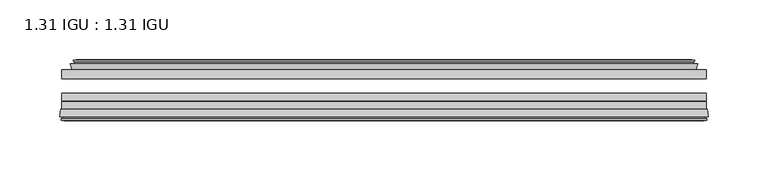
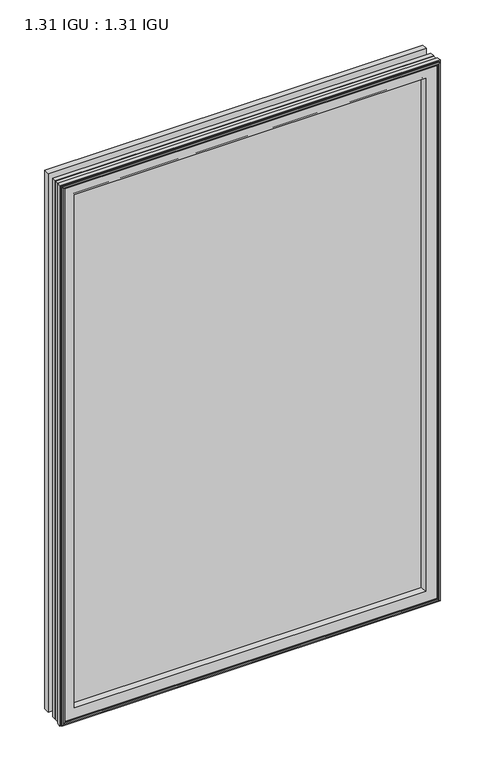
"""IFC4 building model written with IfcOpenShell, lengths in millimetres: plate geometry, 1.31 IGU : 1.31 IGU."""

from ifc_helpers import new_model, si_unit, frame, origin, place, context, project, spatial, polyline, ellipse_curve, outline, extrude, faceted_brep, source, transform, mapped, element, save
from ifc_brep_helpers import plane_surface, revolved_surface, advanced_brep


def plate_1_31_igu_1_31_igu_a89a6c54(model_context):
    return source(origin(), model_context, "Body", "SolidModel", [
        extrude(outline(polyline([(269.875, -17.9712937), (269.875, -25.8960937), (-269.875, -25.8960937), (-269.875, -17.9712937), (269.875, -17.9712937)])), frame((0.0, 0.0, -19.05), z_axis=(0.0, 0.0, 1.0), x_axis=(1.0, 0.0, 0.0)), (0.0, 0.0, 1.0), 812.8),
        extrude(outline(polyline([(-269.875, -51.2960937), (-269.875, -44.9460937), (269.875, -44.9460937), (269.875, -51.2960937), (-269.875, -51.2960937)])), frame((0.0, 0.0, -19.05), z_axis=(0.0, 0.0, 1.0), x_axis=(1.0, 0.0, 0.0)), (0.0, 0.0, 1.0), 812.8),
        extrude(outline(polyline([(-269.875, -44.1586938), (-269.875, -37.8086938), (269.875, -37.8086938), (269.875, -44.1586938), (-269.875, -44.1586938)])), frame((0.0, 0.0, -19.05), z_axis=(0.0, 0.0, 1.0), x_axis=(1.0, 0.0, 0.0)), (0.0, 0.0, 1.0), 812.8),
        faceted_brep([(-260.9564005, -17.9712937, 784.8314005), (-262.6006337, -13.1960937, 786.4756337), (-262.6006337, -13.1960937, -11.7756337), (-260.9564005, -17.9712937, -10.1314005), (-251.3457, -13.1960937, 775.2207), (-250.1762695, -17.9712937, 774.0512695), (-250.1762695, -17.9712937, 0.6487305), (-251.3457, -13.1960937, -0.5207), (-256.9104203, -10.902778, 780.7854203), (-256.2959281, -13.1960937, 780.1709281), (-256.2959281, -13.1960937, -5.4709281), (-256.9104203, -10.902778, -6.0854203), (-255.5181709, -11.27583, 779.3931709), (-255.5181709, -11.27583, -4.6931709), (-255.2868537, -10.4125422, 779.1618537), (-255.2868537, -10.4125422, -4.4618537), (-257.6957, -9.7670937, 781.5707), (-257.6957, -9.7670937, -6.8707), (-260.1045463, -10.4125422, 783.9795463), (-260.1045463, -10.4125422, -9.2795463), (-259.8732291, -11.27583, 783.7482291), (-259.8732291, -11.27583, -9.0482291), (-258.4864014, -10.9042307, 782.3614014), (-258.4864014, -10.9042307, -7.6614014), (-259.2310729, -13.1960937, 783.1060729), (-259.2310729, -13.1960937, -8.4060729), (262.6006337, -13.1960937, -11.7756337), (260.9564005, -17.9712937, -10.1314005), (250.1762695, -17.9712937, 0.6487305), (251.3457, -13.1960937, -0.5207), (256.2959281, -13.1960937, -5.4709281), (256.9104203, -10.902778, -6.0854203), (255.5181709, -11.27583, -4.6931709), (255.2868537, -10.4125422, -4.4618537), (257.6957, -9.7670937, -6.8707), (260.1045463, -10.4125422, -9.2795463), (259.8732291, -11.27583, -9.0482291), (258.4864014, -10.9042307, -7.6614014), (259.2310729, -13.1960937, -8.4060729), (262.6006337, -13.1960937, 786.4756337), (260.9564005, -17.9712937, 784.8314005), (250.1762695, -17.9712937, 774.0512695), (251.3457, -13.1960937, 775.2207), (256.2959281, -13.1960937, 780.1709281), (256.9104203, -10.902778, 780.7854203), (255.5181709, -11.27583, 779.3931709), (255.2868537, -10.4125422, 779.1618537), (257.6957, -9.7670937, 781.5707), (260.1045463, -10.4125422, 783.9795463), (259.8732291, -11.27583, 783.7482291), (258.4864014, -10.9042307, 782.3614014), (259.2310729, -13.1960937, 783.1060729)], [[[0, 1, 2, 3]], [[4, 5, 6, 7]], [[8, 9, 10, 11]], [[12, 8, 11, 13]], [[14, 12, 13, 15]], [[16, 14, 15, 17]], [[18, 16, 17, 19]], [[20, 18, 19, 21]], [[22, 20, 21, 23]], [[24, 22, 23, 25]], [[3, 2, 26, 27]], [[7, 6, 28, 29]], [[11, 10, 30, 31]], [[13, 11, 31, 32]], [[15, 13, 32, 33]], [[17, 15, 33, 34]], [[19, 17, 34, 35]], [[21, 19, 35, 36]], [[23, 21, 36, 37]], [[25, 23, 37, 38]], [[27, 26, 39, 40]], [[29, 28, 41, 42]], [[31, 30, 43, 44]], [[32, 31, 44, 45]], [[33, 32, 45, 46]], [[34, 33, 46, 47]], [[35, 34, 47, 48]], [[36, 35, 48, 49]], [[37, 36, 49, 50]], [[38, 37, 50, 51]], [[40, 39, 1, 0]], [[3, 27, 40, 0], [5, 41, 28, 6]], [[42, 41, 5, 4]], [[9, 43, 30, 10], [7, 29, 42, 4]], [[44, 43, 9, 8]], [[45, 44, 8, 12]], [[46, 45, 12, 14]], [[47, 46, 14, 16]], [[48, 47, 16, 18]], [[49, 48, 18, 20]], [[50, 49, 20, 22]], [[51, 50, 22, 24]], [[1, 39, 26, 2], [25, 38, 51, 24]]]),
        advanced_brep(
        [(-247.1876851, -51.2960937, 771.0626851), (-250.825, -57.6460937, 774.7), (-250.825, -57.6460937, 0.0), (-247.1876851, -51.2960937, 3.6373149), (-271.4707783, -57.6460937, 795.3457783), (-270.6910964, -51.2960937, 794.5660964), (-270.6910964, -51.2960937, -19.8660964), (-271.4707783, -57.6460937, -20.6457783), (-269.0707744, -59.6558685, 792.9457744), (-269.5298013, -57.6460937, 793.4048013), (-269.5298013, -57.6460937, -18.7048013), (-269.0707744, -59.6558685, -18.2457744), (-270.0544588, -59.3738016, 793.9294588), (-270.0544588, -59.3738016, -19.2294588), (-270.3079433, -60.2578071, 794.1829433), (-270.3079433, -60.2578071, -19.4829433), (-268.2849998, -60.8378768, 792.1599998), (-268.2849998, -60.8378768, -17.4599998), (-266.2413389, -60.2902795, 790.1163389), (-266.2413389, -60.2902795, -15.4163389), (-266.4862083, -59.3764147, 790.3612083), (-266.4862083, -59.3764147, -15.6612083), (-267.5088421, -59.6504286, 791.3838421), (-267.5088421, -59.6504286, -16.6838421), (-267.0461049, -57.6460937, 790.9211049), (-267.0461049, -57.6460937, -16.2211049), (250.825, -57.6460938, 0.0), (247.1876851, -51.2960937, 3.6373149), (270.6910964, -51.2960937, -19.8660964), (271.4707783, -57.6460938, -20.6457783), (269.5298013, -57.6460938, -18.7048013), (269.0707744, -59.6558685, -18.2457744), (270.0544588, -59.3738016, -19.2294588), (270.3079433, -60.2578071, -19.4829433), (268.2849998, -60.8378768, -17.4599998), (266.2413389, -60.2902795, -15.4163389), (266.4862083, -59.3764147, -15.6612083), (267.5088421, -59.6504286, -16.6838421), (267.0461049, -57.6460938, -16.2211049), (250.825, -57.6460938, 774.7), (247.1876851, -51.2960937, 771.0626851), (270.6910964, -51.2960937, 794.5660964), (271.4707783, -57.6460938, 795.3457783), (269.5298013, -57.6460938, 793.4048013), (269.0707744, -59.6558685, 792.9457744), (270.0544588, -59.3738016, 793.9294588), (270.3079433, -60.2578071, 794.1829433), (268.2849998, -60.8378768, 792.1599998), (266.2413389, -60.2902795, 790.1163389), (266.4862083, -59.3764147, 790.3612083), (267.5088421, -59.6504286, 791.3838421), (267.0461049, -57.6460938, 790.9211049)],
        [
            (0, 1, ellipse_curve(frame((-242.394055, -58.2586484, 766.269055), z_axis=(0.7071067811865475, 0.0, 0.7071067811865475), x_axis=(0.7071067811865474, 0.0, -0.7071067811865476)), 11.9545855, 8.4531685)),
            (1, 2),
            (2, 3, ellipse_curve(frame((-242.394055, -58.2586484, 8.430945), z_axis=(0.7071067811865475, 0.0, -0.7071067811865475), x_axis=(-0.7071067811865474, 0.0, -0.7071067811865476)), 11.9545855, 8.4531685)),
            (3, 0),
            (4, 5),
            (5, 6),
            (6, 7),
            (7, 4),
            (8, 9),
            (9, 10),
            (10, 11),
            (11, 8),
            (12, 8),
            (11, 13),
            (13, 12),
            (14, 12),
            (13, 15),
            (15, 14),
            (16, 14),
            (15, 17),
            (17, 16),
            (18, 16),
            (17, 19),
            (19, 18),
            (20, 18),
            (19, 21),
            (21, 20),
            (22, 20),
            (21, 23),
            (23, 22),
            (24, 22),
            (23, 25),
            (25, 24),
            (2, 26),
            (26, 27, ellipse_curve(frame((242.394055, -58.2586484, 8.430945), z_axis=(0.7071067811865475, 0.0, 0.7071067811865475), x_axis=(0.7071067811865476, 0.0, -0.7071067811865474)), 11.9545855, 8.4531685)),
            (27, 3),
            (6, 28),
            (28, 29),
            (29, 7),
            (10, 30),
            (30, 31),
            (31, 11),
            (31, 32),
            (32, 13),
            (32, 33),
            (33, 15),
            (33, 34),
            (34, 17),
            (34, 35),
            (35, 19),
            (35, 36),
            (36, 21),
            (36, 37),
            (37, 23),
            (37, 38),
            (38, 25),
            (26, 39),
            (39, 40, ellipse_curve(frame((242.394055, -58.2586484, 766.269055), z_axis=(-0.7071067811865475, 0.0, 0.7071067811865475), x_axis=(0.7071067811865474, 0.0, 0.7071067811865476)), 11.9545855, 8.4531685)),
            (40, 27),
            (28, 41),
            (41, 42),
            (42, 29),
            (30, 43),
            (43, 44),
            (44, 31),
            (44, 45),
            (45, 32),
            (45, 46),
            (46, 33),
            (46, 47),
            (47, 34),
            (47, 48),
            (48, 35),
            (48, 49),
            (49, 36),
            (49, 50),
            (50, 37),
            (50, 51),
            (51, 38),
            (51, 24),
            (1, 39),
            (0, 40),
            (5, 41),
            (4, 42),
            (9, 43),
            (8, 44),
            (12, 45),
            (14, 46),
            (16, 47),
            (18, 48),
            (20, 49),
            (22, 50),
        ],
        [
            revolved_surface(polyline([(-250.8472235, -58.2586484, -0.02222347332440222), (-250.8472235, -58.2586484, 774.7222234733243)]), (-242.394055, -58.2586484, 806.45), (0.0, 0.0, -1.0)),
            plane_surface(frame((-270.6910964, -51.2960937, 794.5660964), z_axis=(-0.9925461516413234, 0.12186934340513636, 0.0), x_axis=(0.0, 0.0, -1.0))),
            plane_surface(frame((-269.5298013, -57.6460937, 793.4048013), z_axis=(-0.9748953990049445, -0.22266333555165796, 0.0), x_axis=(0.0, 0.0, -1.0))),
            plane_surface(frame((-269.0707744, -59.6558685, 792.9457744), z_axis=(0.27563735581726606, 0.9612616959382424, 0.0), x_axis=(0.0, 0.0, -1.0))),
            plane_surface(frame((-270.0544588, -59.3738016, 793.9294588), z_axis=(-0.9612616959382463, 0.2756373558172523, 0.0), x_axis=(0.0, 0.0, -1.0))),
            plane_surface(frame((-270.3079433, -60.2578071, 794.1829433), z_axis=(-0.2756373558170135, -0.9612616959383148, 0.0), x_axis=(0.0, 0.0, -1.0))),
            plane_surface(frame((-268.2849998, -60.8378768, 792.1599998), z_axis=(0.25881904510226056, -0.965925826289138, 0.0), x_axis=(0.0, 0.0, -1.0))),
            plane_surface(frame((-266.2413389, -60.2902795, 790.1163389), z_axis=(0.9659258262891444, 0.25881904510223736, 0.0), x_axis=(0.0, 0.0, -1.0))),
            plane_surface(frame((-266.4862083, -59.3764147, 790.3612083), z_axis=(-0.2588190451025015, 0.9659258262890735, 0.0), x_axis=(0.0, 0.0, -1.0))),
            plane_surface(frame((-267.5088421, -59.6504286, 791.3838421), z_axis=(0.9743700647852117, -0.22495105434396695, 0.0), x_axis=(0.0, 0.0, -1.0))),
            revolved_surface(polyline([(250.8472234733244, -58.2586484, -0.02222350000000084), (-250.8472234733244, -58.2586484, -0.02222350000000084)]), (-282.575, -58.2586484, 8.430945), (1.0, 0.0, 0.0)),
            plane_surface(frame((-270.6910964, -51.2960937, -19.8660964), z_axis=(0.0, 0.12186934340513315, -0.9925461516413239), x_axis=(1.0, 0.0, 0.0))),
            plane_surface(frame((-269.5298013, -57.6460937, -18.7048013), z_axis=(0.0, -0.22266333555166112, -0.9748953990049438), x_axis=(1.0, 0.0, 0.0))),
            plane_surface(frame((-269.0707744, -59.6558685, -18.2457744), z_axis=(0.0, 0.9612616959382433, 0.27563735581726295), x_axis=(1.0, 0.0, 0.0))),
            plane_surface(frame((-270.0544588, -59.3738016, -19.2294588), z_axis=(0.0, 0.2756373558172492, -0.9612616959382472), x_axis=(1.0, 0.0, 0.0))),
            plane_surface(frame((-270.3079433, -60.2578071, -19.4829433), z_axis=(0.0, -0.9612616959383157, -0.2756373558170104), x_axis=(1.0, 0.0, 0.0))),
            plane_surface(frame((-268.2849998, -60.8378768, -17.4599998), z_axis=(0.0, -0.9659258262891373, 0.2588190451022637), x_axis=(1.0, 0.0, 0.0))),
            plane_surface(frame((-266.2413389, -60.2902795, -15.4163389), z_axis=(0.0, 0.25881904510224046, 0.9659258262891435), x_axis=(1.0, 0.0, 0.0))),
            plane_surface(frame((-266.4862083, -59.3764147, -15.6612083), z_axis=(0.0, 0.9659258262890726, -0.2588190451025046), x_axis=(1.0, 0.0, 0.0))),
            plane_surface(frame((-267.5088421, -59.6504286, -16.6838421), z_axis=(0.0, -0.22495105434396379, 0.9743700647852125), x_axis=(1.0, 0.0, 0.0))),
            revolved_surface(polyline([(250.8472235, -58.2586484, 774.7222234733243), (250.8472235, -58.2586484, -0.022223473324370246)]), (242.394055, -58.2586484, -31.75), (0.0, 0.0, 1.0)),
            plane_surface(frame((270.6910964, -51.2960937, -19.8660964), z_axis=(0.9925461516413243, 0.12186934340512995, 0.0), x_axis=(0.0, 0.0, 1.0))),
            plane_surface(frame((269.5298013, -57.6460938, -18.7048013), z_axis=(0.9748953990049432, -0.2226633355516643, 0.0), x_axis=(0.0, 0.0, 1.0))),
            plane_surface(frame((269.0707744, -59.6558685, -18.2457744), z_axis=(-0.27563735581725984, 0.9612616959382442, 0.0), x_axis=(0.0, 0.0, 1.0))),
            plane_surface(frame((270.0544588, -59.3738016, -19.2294588), z_axis=(0.9612616959382481, 0.2756373558172461, 0.0), x_axis=(0.0, 0.0, 1.0))),
            plane_surface(frame((270.3079433, -60.2578071, -19.4829433), z_axis=(0.27563735581700727, -0.9612616959383166, 0.0), x_axis=(0.0, 0.0, 1.0))),
            plane_surface(frame((268.2849998, -60.8378768, -17.4599998), z_axis=(-0.25881904510226683, -0.9659258262891364, 0.0), x_axis=(0.0, 0.0, 1.0))),
            plane_surface(frame((266.2413389, -60.2902795, -15.4163389), z_axis=(-0.9659258262891426, 0.2588190451022436, 0.0), x_axis=(0.0, 0.0, 1.0))),
            plane_surface(frame((266.4862083, -59.3764147, -15.6612083), z_axis=(0.2588190451025077, 0.9659258262890718, 0.0), x_axis=(0.0, 0.0, 1.0))),
            plane_surface(frame((267.5088421, -59.6504286, -16.6838421), z_axis=(-0.9743700647852133, -0.22495105434396062, 0.0), x_axis=(0.0, 0.0, 1.0))),
            plane_surface(frame((267.0461049, -57.6460938, 790.9211049), z_axis=(0.0, -1.0, 0.0), x_axis=(-1.0, 0.0, 0.0))),
            revolved_surface(polyline([(-250.8472234733244, -58.2586484, 774.7222234999999), (250.8472234733244, -58.2586484, 774.7222234999999)]), (282.575, -58.2586484, 766.269055), (-1.0, 0.0, 0.0)),
            plane_surface(frame((247.1876851, -51.2960937, 771.0626851), z_axis=(0.0, 1.0, 0.0), x_axis=(-1.0, 0.0, 0.0))),
            plane_surface(frame((270.6910964, -51.2960937, 794.5660964), z_axis=(0.0, 0.12186934340513315, 0.9925461516413239), x_axis=(-1.0, 0.0, 0.0))),
            plane_surface(frame((271.4707783, -57.6460938, 795.3457783), z_axis=(0.0, -1.0, 0.0), x_axis=(-1.0, 0.0, 0.0))),
            plane_surface(frame((269.5298013, -57.6460938, 793.4048013), z_axis=(0.0, -0.22266333555166112, 0.9748953990049438), x_axis=(-1.0, 0.0, 0.0))),
            plane_surface(frame((269.0707744, -59.6558685, 792.9457744), z_axis=(0.0, 0.9612616959382433, -0.27563735581726295), x_axis=(-1.0, 0.0, 0.0))),
            plane_surface(frame((270.0544588, -59.3738016, 793.9294588), z_axis=(0.0, 0.2756373558172492, 0.9612616959382472), x_axis=(-1.0, 0.0, 0.0))),
            plane_surface(frame((270.3079433, -60.2578071, 794.1829433), z_axis=(0.0, -0.9612616959383157, 0.2756373558170104), x_axis=(-1.0, 0.0, 0.0))),
            plane_surface(frame((268.2849998, -60.8378768, 792.1599998), z_axis=(0.0, -0.9659258262891373, -0.2588190451022637), x_axis=(-1.0, 0.0, 0.0))),
            plane_surface(frame((266.2413389, -60.2902795, 790.1163389), z_axis=(0.0, 0.25881904510224046, -0.9659258262891435), x_axis=(-1.0, 0.0, 0.0))),
            plane_surface(frame((266.4862083, -59.3764147, 790.3612083), z_axis=(0.0, 0.9659258262890726, 0.2588190451025046), x_axis=(-1.0, 0.0, 0.0))),
            plane_surface(frame((267.5088421, -59.6504286, 791.3838421), z_axis=(0.0, -0.22495105434396379, -0.9743700647852125), x_axis=(-1.0, 0.0, 0.0))),
        ],
        [
            (0, [[1, 2, 3, 4]]),
            (1, [[5, 6, 7, 8]]),
            (2, [[9, 10, 11, 12]]),
            (3, [[13, -12, 14, 15]]),
            (4, [[16, -15, 17, 18]]),
            (5, [[19, -18, 20, 21]]),
            (6, [[22, -21, 23, 24]]),
            (7, [[25, -24, 26, 27]]),
            (8, [[28, -27, 29, 30]]),
            (9, [[31, -30, 32, 33]]),
            (10, [[-3, 34, 35, 36]]),
            (11, [[-7, 37, 38, 39]]),
            (12, [[-11, 40, 41, 42]]),
            (13, [[-14, -42, 43, 44]]),
            (14, [[-17, -44, 45, 46]]),
            (15, [[-20, -46, 47, 48]]),
            (16, [[-23, -48, 49, 50]]),
            (17, [[-26, -50, 51, 52]]),
            (18, [[-29, -52, 53, 54]]),
            (19, [[-32, -54, 55, 56]]),
            (20, [[-35, 57, 58, 59]]),
            (21, [[-38, 60, 61, 62]]),
            (22, [[-41, 63, 64, 65]]),
            (23, [[-43, -65, 66, 67]]),
            (24, [[-45, -67, 68, 69]]),
            (25, [[-47, -69, 70, 71]]),
            (26, [[-49, -71, 72, 73]]),
            (27, [[-51, -73, 74, 75]]),
            (28, [[-53, -75, 76, 77]]),
            (29, [[-55, -77, 78, 79]]),
            (30, [[-56, -79, 80, -33], [81, -57, -34, -2]]),
            (31, [[-58, -81, -1, 82]]),
            (32, [[83, -60, -37, -6], [-36, -59, -82, -4]]),
            (33, [[-61, -83, -5, 84]]),
            (34, [[-39, -62, -84, -8], [85, -63, -40, -10]]),
            (35, [[-64, -85, -9, 86]]),
            (36, [[-66, -86, -13, 87]]),
            (37, [[-68, -87, -16, 88]]),
            (38, [[-70, -88, -19, 89]]),
            (39, [[-72, -89, -22, 90]]),
            (40, [[-74, -90, -25, 91]]),
            (41, [[-76, -91, -28, 92]]),
            (42, [[-78, -92, -31, -80]]),
        ],
    ),
    ])


if __name__ == "__main__":
    model = new_model("IFC4")
    model_context = context("Model", 3, world=origin())
    ifc_project = project(units=[si_unit("LENGTHUNIT", "METRE", prefix="MILLI")], contexts=[model_context])
    site = spatial("IfcSite", under=ifc_project)
    building = spatial("IfcBuilding", under=site)
    placement = place(None, origin())
    plate_1_31_igu_1_31_igu_shape = plate_1_31_igu_1_31_igu_a89a6c54(model_context)
    element("IfcPlate", 1, ObjectType="1.31 IGU : 1.31 IGU", at=placement, inside=building, context=model_context, shape_type="MappedRepresentation", body=[
        mapped(plate_1_31_igu_1_31_igu_shape, transform((0.0, 0.0, 0.0), x_axis=(1.0, 0.0, 0.0), y_axis=(0.0, 1.0, 0.0), z_axis=(0.0, 0.0, 1.0))),
    ])
    save(model, "model.ifc")
